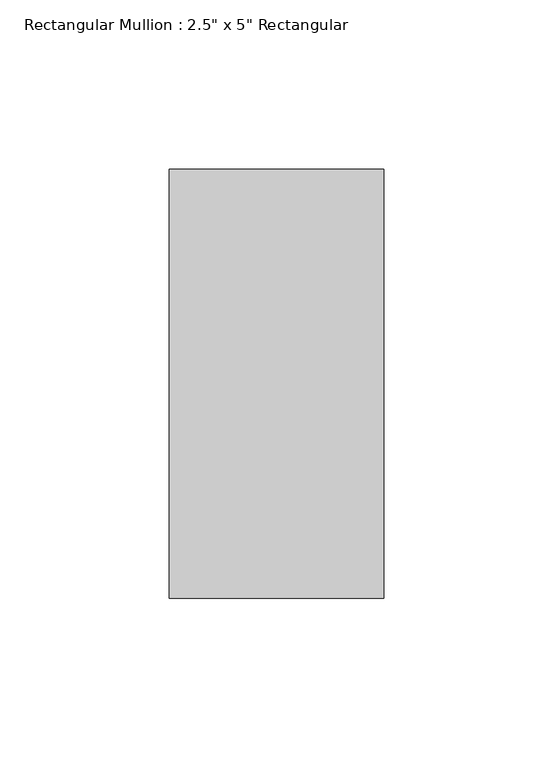
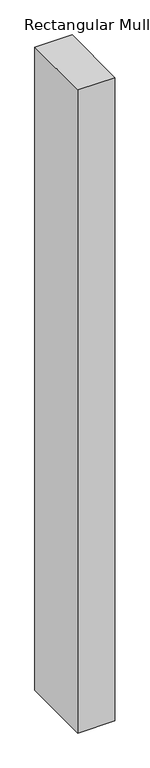
"""IFC4 building model written with IfcOpenShell, lengths in millimetres: member geometry."""

import ifcopenshell
import ifcopenshell.guid

model = None  # the IFC model being written
_history = None  # IfcOwnerHistory: only IFC2X3 demands one
_inside = {}  # id of a spatial element -> (the spatial element, [elements in it])
_under = {}  # id of a project, library or spatial element -> (it, [spatial elements below it])
_declared = {}  # id of a project -> (the project, [libraries it declares])
_typed = {}  # id of a type object -> (the type object, [elements of that type])
_made_of = {}  # id of a material, layer set ... -> (it, [elements and type objects made of it])


def new_model(schema):
    """Start an empty IFC model of exactly this schema.

    Asked for "IFC4X3", IfcOpenShell would pick the latest addendum, in which some entities
    have other attributes; the version numbers below select the first issue.
    IFC2X3 requires an IfcOwnerHistory on every rooted entity: one is made here for all.
    """
    global model, _history
    if schema == "IFC4X3":
        model = ifcopenshell.file(schema_version=(4, 3, 0, 0))
    else:
        model = ifcopenshell.file(schema=schema)
    _inside.clear()
    _under.clear()
    _declared.clear()
    _typed.clear()
    _made_of.clear()
    _history = None
    if model.schema == "IFC2X3":
        org = make("IfcOrganization", Name="unknown")
        user = make(
            "IfcPersonAndOrganization",
            ThePerson=make("IfcPerson", FamilyName="unknown"),
            TheOrganization=org,
        )
        app = make(
            "IfcApplication",
            ApplicationDeveloper=org,
            Version="unknown",
            ApplicationFullName="unknown",
            ApplicationIdentifier="unknown",
        )
        _history = make(
            "IfcOwnerHistory",
            OwningUser=user,
            OwningApplication=app,
            ChangeAction="ADDED",
            CreationDate=0,
        )
    return model


def make(cls, **values):
    """One entity of the class cls with the attributes given. An attribute that is None is left unset."""
    return model.create_entity(
        cls, **{name: value for name, value in values.items() if value is not None}
    )


def rooted(cls, **values):
    """An entity with a GlobalId (a new one), such as an element, a storey or a relation."""
    return make(cls, GlobalId=ifcopenshell.guid.new(), OwnerHistory=_history, **values)


def si_unit(unit_type, name, prefix=None):
    """IfcSIUnit, for example si_unit("LENGTHUNIT", "METRE", prefix="MILLI")."""
    return make("IfcSIUnit", UnitType=unit_type, Prefix=prefix, Name=name)


def assignment(units):
    """IfcUnitAssignment: the units of a project."""
    return None if units is None else make("IfcUnitAssignment", Units=units)


def point(xyz):
    """IfcCartesianPoint."""
    return None if xyz is None else make("IfcCartesianPoint", Coordinates=xyz)


def direction(xyz):
    """IfcDirection."""
    return None if xyz is None else make("IfcDirection", DirectionRatios=xyz)


def frame(location, z_axis=None, x_axis=None):
    """IfcAxis2Placement3D, a coordinate frame: its origin and axes. An axis left out is left unset."""
    return make(
        "IfcAxis2Placement3D",
        Location=point(location),
        Axis=direction(z_axis),
        RefDirection=direction(x_axis),
    )


def origin():
    """The frame at (0, 0, 0) with its axes left unset."""
    return frame((0.0, 0.0, 0.0))


def place(relative_to, where):
    """IfcLocalPlacement: puts the frame where relative to a parent placement (None: the world)."""
    return make(
        "IfcLocalPlacement", PlacementRelTo=relative_to, RelativePlacement=where
    )


def context(
    kind, dimensions, precision=None, world=None, true_north=None, identifier=None
):
    """IfcGeometricRepresentationContext, for example the 3D "Model" context."""
    return make(
        "IfcGeometricRepresentationContext",
        ContextIdentifier=identifier,
        ContextType=kind,
        CoordinateSpaceDimension=dimensions,
        Precision=precision,
        WorldCoordinateSystem=world,
        TrueNorth=true_north,
    )


def project(units=None, contexts=None):
    """IfcProject with its units and contexts."""
    return rooted(
        "IfcProject",
        Name="project",
        RepresentationContexts=contexts,
        UnitsInContext=assignment(units),
    )


def spatial(cls, under=None, at=None, **own):
    """A site, building, storey or space (cls), placed at a placement, below another one or the project."""
    s = rooted(cls, ObjectPlacement=at, **own)
    if under is not None:
        _under.setdefault(under.id(), (under, []))[1].append(s)
    return s


def polyline(points):
    """IfcPolyline through the points."""
    return make("IfcPolyline", Points=[point(p) for p in points])


def outline(outer, holes=None, kind="AREA"):
    """IfcArbitraryClosedProfileDef: a profile drawn as a closed curve; with holes, ...WithVoids."""
    if holes is None:
        return make("IfcArbitraryClosedProfileDef", ProfileType=kind, OuterCurve=outer)
    return make(
        "IfcArbitraryProfileDefWithVoids",
        ProfileType=kind,
        OuterCurve=outer,
        InnerCurves=holes,
    )


def extrude(swept, where, along, depth):
    """IfcExtrudedAreaSolid: the profile swept, set in the frame where, extruded along a direction by depth."""
    return make(
        "IfcExtrudedAreaSolid",
        SweptArea=swept,
        Position=where,
        ExtrudedDirection=direction(along),
        Depth=depth,
    )


def shape(context_of_items, identifier, shape_type, items):
    """IfcShapeRepresentation: the items that make up one representation, for example the "Body"."""
    return make(
        "IfcShapeRepresentation",
        ContextOfItems=context_of_items,
        RepresentationIdentifier=identifier,
        RepresentationType=shape_type,
        Items=items,
    )


def source(mapping_origin, context_of_items, identifier, shape_type, items):
    """IfcRepresentationMap: a shape defined once, which mapped items show again and again."""
    return make(
        "IfcRepresentationMap",
        MappingOrigin=mapping_origin,
        MappedRepresentation=shape(context_of_items, identifier, shape_type, items),
    )


def transform(
    local_origin,
    x_axis=None,
    y_axis=None,
    z_axis=None,
    scale=None,
    scale2=None,
    scale3=None,
    uniform=True,
):
    """IfcCartesianTransformationOperator3D, or its non-uniform kind. x_axis, y_axis, z_axis: its Axis1, 2, 3."""
    if uniform:
        return make(
            "IfcCartesianTransformationOperator3D",
            Axis1=direction(x_axis),
            Axis2=direction(y_axis),
            LocalOrigin=point(local_origin),
            Scale=scale,
            Axis3=direction(z_axis),
        )
    return make(
        "IfcCartesianTransformationOperator3DnonUniform",
        Axis1=direction(x_axis),
        Axis2=direction(y_axis),
        LocalOrigin=point(local_origin),
        Scale=scale,
        Axis3=direction(z_axis),
        Scale2=scale2,
        Scale3=scale3,
    )


def mapped(mapping_source, mapping_target):
    """IfcMappedItem: shows the shape of a source again, moved by a transform."""
    return make(
        "IfcMappedItem", MappingSource=mapping_source, MappingTarget=mapping_target
    )


def made_of(thing, what):
    """Note that an element or type object is made of a material, layer set ...; save() writes the relation."""
    if what is not None:
        _made_of.setdefault(what.id(), (what, []))[1].append(thing)
    return thing


def element(
    cls,
    number,
    at=None,
    inside=None,
    cuts=None,
    type_object=None,
    material=None,
    context=None,
    identifier="Body",
    shape_type=None,
    held_by="IfcProductDefinitionShape",
    body=None,
    shapes=None,
    **own,
):
    """One element of the class cls, such as IfcWall. Its Tag is "e" and its number.

    at: its placement. inside: the storey or other place that contains it. cuts: it is an
    opening in that element (IfcRelVoidsElement). A single representation is given by context,
    identifier, shape_type and body (its items); several are given by shapes. held_by: the class
    of the entity that holds the representations. save() writes the other relations.
    """
    e = rooted(cls, Tag="e%d" % number, ObjectPlacement=at, **own)
    if body is not None:
        shapes = [shape(context, identifier, shape_type, body)]
    if shapes is not None:
        e.Representation = make(held_by, Representations=shapes)
    if inside is not None:
        _inside.setdefault(inside.id(), (inside, []))[1].append(e)
    if cuts is not None:
        rooted(
            "IfcRelVoidsElement", RelatingBuildingElement=cuts, RelatedOpeningElement=e
        )
    if type_object is not None:
        _typed.setdefault(type_object.id(), (type_object, []))[1].append(e)
    return made_of(e, material)


def aggregate(whole, parts):
    """IfcRelAggregates: a whole, such as a stair, and the parts it consists of."""
    return rooted("IfcRelAggregates", RelatingObject=whole, RelatedObjects=parts)


def save(model, path):
    """Write the relations noted so far, then the file.

    IfcRelAggregates (storeys below a building ...), IfcRelContainedInSpatialStructure (elements
    in a storey), IfcRelDefinesByType, IfcRelAssociatesMaterial and IfcRelDeclares: one each for
    every whole, place, type object, material and project.
    """
    for whole, parts in _under.values():
        aggregate(whole, parts)
    for where, things in _inside.values():
        rooted(
            "IfcRelContainedInSpatialStructure",
            RelatedElements=things,
            RelatingStructure=where,
        )
    for kind, things in _typed.values():
        rooted("IfcRelDefinesByType", RelatedObjects=things, RelatingType=kind)
    for what, things in _made_of.values():
        rooted("IfcRelAssociatesMaterial", RelatedObjects=things, RelatingMaterial=what)
    for by, libraries in _declared.values():
        rooted("IfcRelDeclares", RelatingContext=by, RelatedDefinitions=libraries)
    model.write(path)


def member_2fc94954(model_context):
    return source(origin(), model_context, "Body", "SweptSolid", [
        extrude(outline(polyline([(0.0, 63.5), (0.0, -63.5), (-63.5, -63.5), (-63.5, 63.5), (0.0, 63.5)])), frame((0.0, 0.0, -1162.05), z_axis=(0.0, 0.0, 1.0), x_axis=(1.0, 0.0, 0.0)), (0.0, 0.0, 1.0), 1162.05),
    ])


if __name__ == "__main__":
    model = new_model("IFC4")
    model_context = context("Model", 3, world=origin())
    ifc_project = project(units=[si_unit("LENGTHUNIT", "METRE", prefix="MILLI")], contexts=[model_context])
    site = spatial("IfcSite", under=ifc_project)
    building = spatial("IfcBuilding", under=site)
    placement = place(None, origin())
    member_shape = member_2fc94954(model_context)
    element("IfcMember", 1, ObjectType="Rectangular Mullion : 2.5\" x 5\" Rectangular", at=placement, inside=building, context=model_context, shape_type="MappedRepresentation", body=[
        mapped(member_shape, transform((0.0, 0.0, 0.0), x_axis=(1.0, 0.0, 0.0), y_axis=(0.0, 1.0, 0.0), z_axis=(0.0, 0.0, 1.0))),
    ])
    save(model, "model.ifc")
